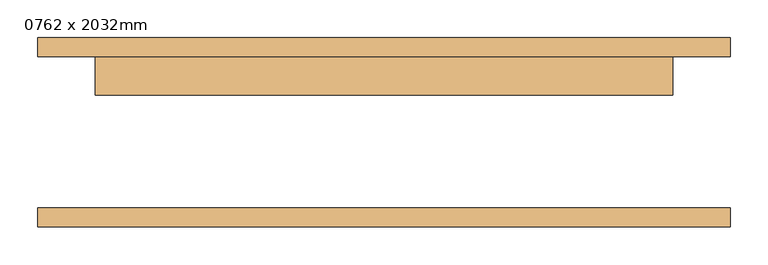
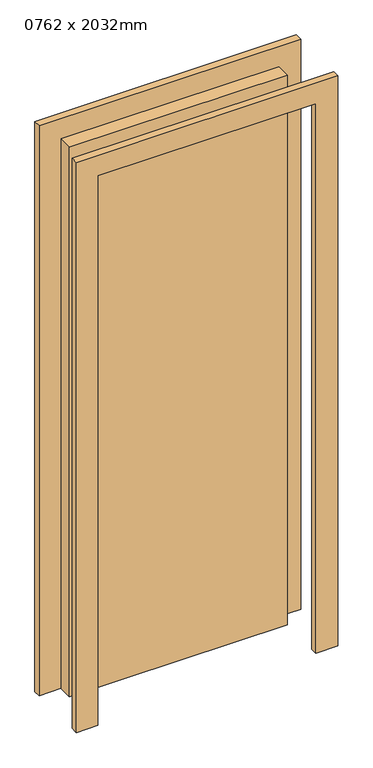
"""IFC4 building model written with IfcOpenShell, lengths in millimetres: door geometry, 0762 x 2032mm."""

from ifc_helpers import new_model, si_unit, frame, origin, origin_with_axes, place, context, project, spatial, polyline, outline, extrude, source, transform, mapped, element, save


def door_0762_x_2032mm_0c256fab(model_context):
    return source(origin(), model_context, "Body", "SweptSolid", [
        extrude(outline(polyline([(2108.0, -457.0), (0.0, -457.0), (0.0, -381.0), (2032.0, -381.0), (2032.0, 381.0), (0.0, 381.0), (0.0, 457.0), (2108.0, 457.0), (2108.0, -457.0)])), frame((0.0, 100.0, 0.0), z_axis=(0.0, 1.0, 0.0), x_axis=(0.0, 0.0, 1.0)), (0.0, 0.0, 1.0), 25.0),
        extrude(outline(polyline([(2108.0, 457.0), (2108.0, -457.0), (0.0, -457.0), (0.0, -381.0), (2032.0, -381.0), (2032.0, 381.0), (0.0, 381.0), (0.0, 457.0), (2108.0, 457.0)])), frame((0.0, -125.0, 0.0), z_axis=(0.0, 1.0, 0.0), x_axis=(0.0, 0.0, 1.0)), (0.0, 0.0, 1.0), 25.0),
        extrude(outline(polyline([(381.0, 49.0), (-381.0, 49.0), (-381.0, 100.0), (381.0, 100.0), (381.0, 49.0)])), origin_with_axes(), (0.0, 0.0, 1.0), 2032.0),
    ])


if __name__ == "__main__":
    model = new_model("IFC4")
    model_context = context("Model", 3, world=origin())
    ifc_project = project(units=[si_unit("LENGTHUNIT", "METRE", prefix="MILLI")], contexts=[model_context])
    site = spatial("IfcSite", under=ifc_project)
    building = spatial("IfcBuilding", under=site)
    placement = place(None, origin())
    door_0762_x_2032mm_shape = door_0762_x_2032mm_0c256fab(model_context)
    element("IfcDoor", 1, ObjectType="0762 x 2032mm", at=placement, inside=building, context=model_context, shape_type="MappedRepresentation", body=[
        mapped(door_0762_x_2032mm_shape, transform((0.0, 0.0, 0.0), x_axis=(1.0, 0.0, 0.0), y_axis=(0.0, 1.0, 0.0), z_axis=(0.0, 0.0, 1.0))),
    ])
    save(model, "model.ifc")
